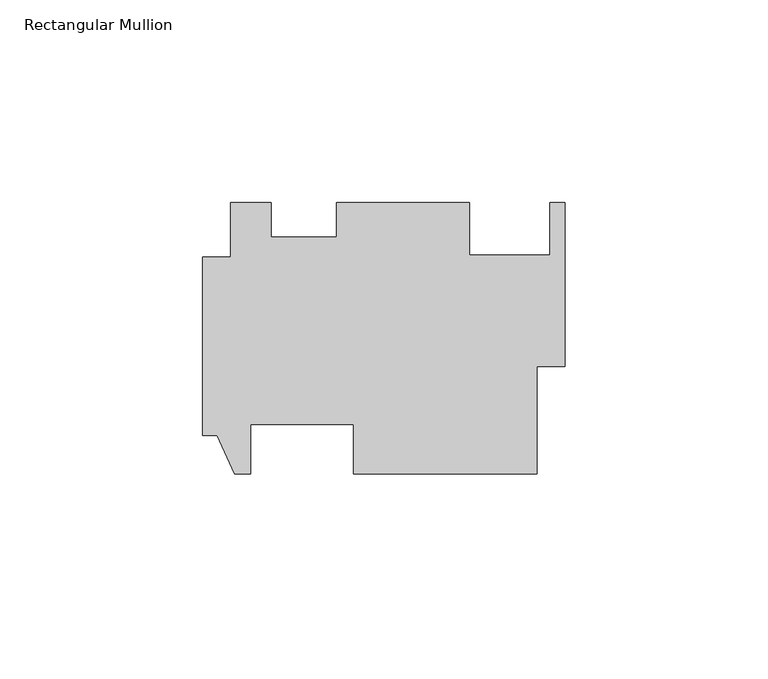
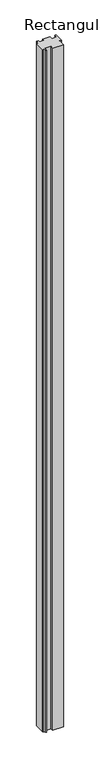
"""IFC4 building model written with IfcOpenShell, lengths in millimetres: member geometry, Rectangular Mullion."""

from ifc_helpers import new_model, si_unit, frame, origin, place, context, project, spatial, polyline, outline, extrude, source, transform, mapped, element, save


def rectangular_mullion_be80eb59(model_context):
    return source(origin(), model_context, "Body", "SweptSolid", [
        extrude(outline(polyline([(-89.4588, -24.4954678), (-89.4588, 19.4719322), (-82.55, 19.4719322), (-82.55, 32.9593322), (-72.53478, 32.9593322), (-72.53478, 24.4799495), (-56.4388, 24.4799495), (-56.4388, 32.9593322), (-23.5712, 32.9593322), (-23.5712, 19.9889062), (-3.7338, 19.9889062), (-3.7338, 32.9593322), (0.0, 32.9593322), (0.0, -7.5282678), (-6.9088, -7.5282678), (-6.9088, -34.0204678), (-52.2224, -34.0204678), (-52.2224, -21.8030678), (-77.6224, -21.8030678), (-77.6224, -34.0204678), (-81.534, -34.0204678), (-85.852, -24.4954678), (-89.4588, -24.4954678)])), frame((0.0, 0.0, -3048.0), z_axis=(0.0, 0.0, 1.0), x_axis=(1.0, 0.0, 0.0)), (0.0, 0.0, 1.0), 3048.0),
    ])


if __name__ == "__main__":
    model = new_model("IFC4")
    model_context = context("Model", 3, world=origin())
    ifc_project = project(units=[si_unit("LENGTHUNIT", "METRE", prefix="MILLI")], contexts=[model_context])
    site = spatial("IfcSite", under=ifc_project)
    building = spatial("IfcBuilding", under=site)
    placement = place(None, origin())
    rectangular_mullion_shape = rectangular_mullion_be80eb59(model_context)
    element("IfcMember", 1, ObjectType="Rectangular Mullion", at=placement, inside=building, context=model_context, shape_type="MappedRepresentation", body=[
        mapped(rectangular_mullion_shape, transform((0.0, 0.0, 0.0), x_axis=(1.0, 0.0, 0.0), y_axis=(0.0, 1.0, 0.0), z_axis=(0.0, 0.0, 1.0))),
    ])
    save(model, "model.ifc")
